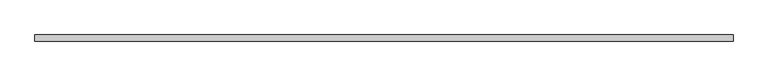
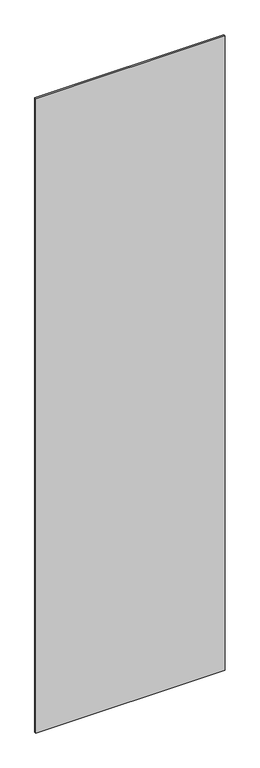
"""IFC4 building model written with IfcOpenShell, lengths in millimetres: plate geometry."""

from ifc_helpers import new_model, si_unit, origin, origin_with_axes, place, context, project, spatial, polyline, outline, extrude, source, transform, mapped, element, save


def plate_1f1fa367(model_context):
    return source(origin(), model_context, "Body", "SweptSolid", [
        extrude(outline(polyline([(544.375, -5.0), (-544.375, -5.0), (-544.375, 5.0), (544.375, 5.0), (544.375, -5.0)])), origin_with_axes(), (0.0, 0.0, 1.0), 3860.0),
    ])


if __name__ == "__main__":
    model = new_model("IFC4")
    model_context = context("Model", 3, world=origin())
    ifc_project = project(units=[si_unit("LENGTHUNIT", "METRE", prefix="MILLI")], contexts=[model_context])
    site = spatial("IfcSite", under=ifc_project)
    building = spatial("IfcBuilding", under=site)
    placement = place(None, origin())
    plate_shape = plate_1f1fa367(model_context)
    element("IfcPlate", 1, at=placement, inside=building, context=model_context, shape_type="MappedRepresentation", body=[
        mapped(plate_shape, transform((0.0, 0.0, 0.0), x_axis=(1.0, 0.0, 0.0), y_axis=(0.0, 1.0, 0.0), z_axis=(0.0, 0.0, 1.0))),
    ])
    save(model, "model.ifc")
